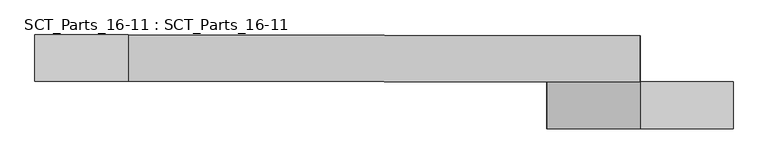
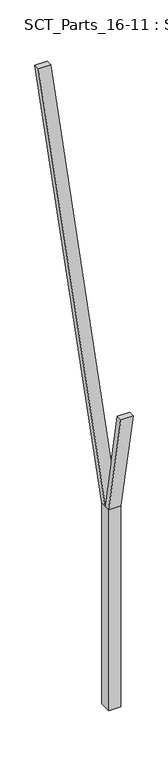
"""IFC4 building model written with IfcOpenShell, lengths in millimetres: proxy geometry, SCT_Parts_16-11 : SCT_Parts_16-11."""

from ifc_helpers import new_model, si_unit, frame, origin, origin_with_axes, place, context, project, spatial, polyline, outline, extrude, source, transform, mapped, element, save


def sct_parts_16_11_sct_parts_16_11_bd86a118(model_context):
    return source(origin(), model_context, "Body", "SweptSolid", [
        extrude(outline(polyline([(3500.0, 200.0), (5000.0, 400.0), (5000.0, 200.0), (3500.0, 0.0), (3500.0, 200.0)])), frame((0.0, -200.0, 0.0), z_axis=(0.0, 1.0, 0.0), x_axis=(0.0, 0.0, 1.0)), (0.0, 0.0, 1.0), 100.0),
        extrude(outline(polyline([(3500.0, 0.0), (3500.0, 200.0), (11500.0, -900.0), (11500.0, -1100.0), (3500.0, 0.0)])), frame((0.0, -100.0, 0.0), z_axis=(0.0, 1.0, 0.0), x_axis=(0.0, 0.0, 1.0)), (0.0, 0.0, 1.0), 100.0),
        extrude(outline(polyline([(200.0, -200.0), (0.0, -200.0), (0.0, 0.0), (200.0, 0.0), (200.0, -200.0)])), origin_with_axes(), (0.0, 0.0, 1.0), 3500.0),
    ])


if __name__ == "__main__":
    model = new_model("IFC4")
    model_context = context("Model", 3, world=origin())
    ifc_project = project(units=[si_unit("LENGTHUNIT", "METRE", prefix="MILLI")], contexts=[model_context])
    site = spatial("IfcSite", under=ifc_project)
    building = spatial("IfcBuilding", under=site)
    placement = place(None, origin())
    sct_parts_16_11_sct_parts_16_11_shape = sct_parts_16_11_sct_parts_16_11_bd86a118(model_context)
    element("IfcBuildingElementProxy", 1, Name="SCT_Parts_16-11 : SCT_Parts_16-11", ObjectType="SCT_Parts_16-11 : SCT_Parts_16-11", at=placement, inside=building, context=model_context, shape_type="MappedRepresentation", body=[
        mapped(sct_parts_16_11_sct_parts_16_11_shape, transform((0.0, 0.0, 0.0), x_axis=(1.0, 0.0, 0.0), y_axis=(0.0, 1.0, 0.0), z_axis=(0.0, 0.0, 1.0))),
    ])
    save(model, "model.ifc")
